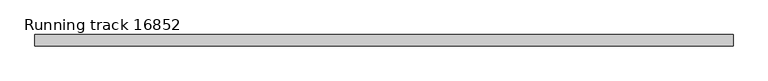
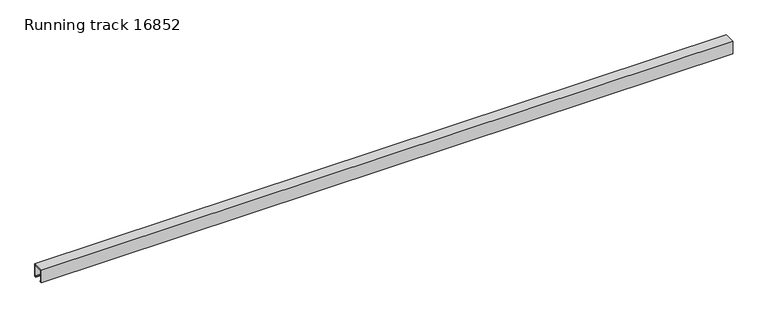
"""IFC4 building model written with IfcOpenShell, lengths in millimetres: proxy geometry, Running track 16852."""

from ifc_helpers import new_model, si_unit, frame, origin, place, context, project, spatial, polyline, outline, extrude, source, transform, mapped, element, save


def running_track_16852_20dd88ed(model_context):
    return source(origin(), model_context, "Body", "SweptSolid", [
        extrude(outline(polyline([(25.0, 0.0), (17.0, 0.0), (17.0, 3.0), (21.9166556, 3.0), (21.9166556, 55.0), (-22.0, 55.0), (-22.0, 3.0), (-17.0, 3.0), (-17.0, 0.0), (-25.0, 0.0), (-25.0, 58.0), (25.0, 58.0), (25.0, 0.0)])), frame((0.0, 0.0, 0.0), z_axis=(1.0, 0.0, 0.0), x_axis=(0.0, 1.0, 0.0)), (0.0, 0.0, 1.0), 3100.0),
    ])


if __name__ == "__main__":
    model = new_model("IFC4")
    model_context = context("Model", 3, world=origin())
    ifc_project = project(units=[si_unit("LENGTHUNIT", "METRE", prefix="MILLI")], contexts=[model_context])
    site = spatial("IfcSite", under=ifc_project)
    building = spatial("IfcBuilding", under=site)
    placement = place(None, origin())
    running_track_16852_shape = running_track_16852_20dd88ed(model_context)
    element("IfcBuildingElementProxy", 1, Name="Running track 16852", ObjectType="Running track 16852", at=placement, inside=building, context=model_context, shape_type="MappedRepresentation", body=[
        mapped(running_track_16852_shape, transform((0.0, 0.0, 0.0), x_axis=(1.0, 0.0, 0.0), y_axis=(0.0, 1.0, 0.0), z_axis=(0.0, 0.0, 1.0))),
    ])
    save(model, "model.ifc")
